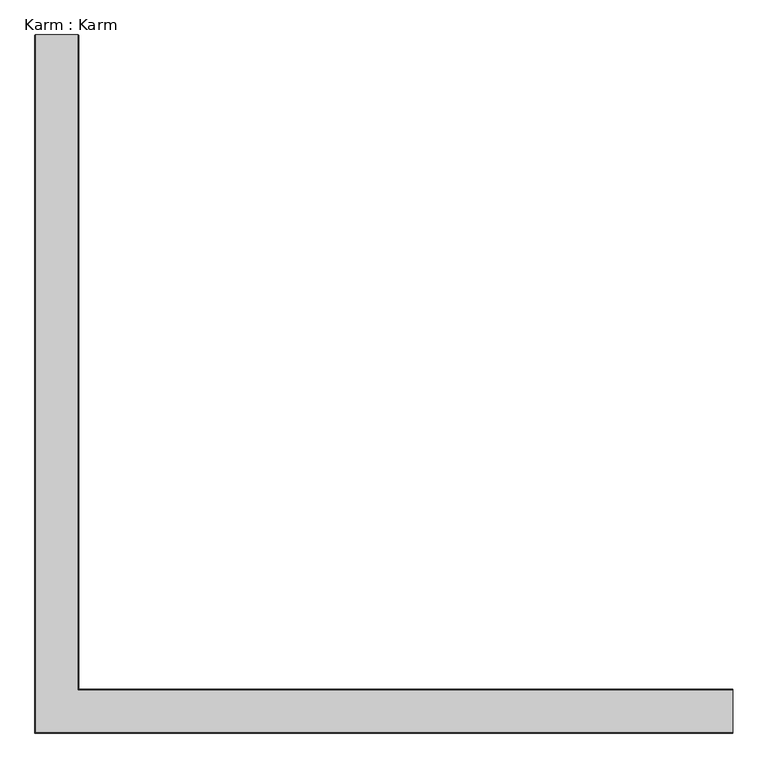
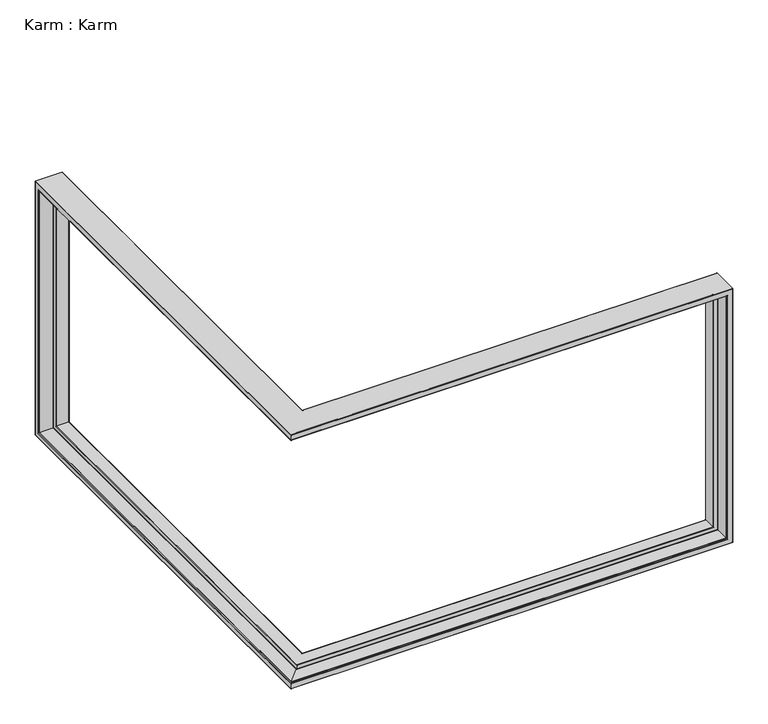
"""IFC4 building model written with IfcOpenShell, lengths in millimetres: proxy geometry, Karm : Karm."""

from ifc_helpers import new_model, si_unit, frame, origin, place, context, project, spatial, polyline, ellipse_curve, source, transform, mapped, element, save
from ifc_brep_helpers import plane_surface, cylinder_surface, revolved_surface, advanced_brep


def karm_karm_82fdf308(model_context):
    return source(origin(), model_context, "Body", "AdvancedBrep", [
        advanced_brep(
        [(1888.0, 64.5, 564.4312876), (64.5, 64.5, 564.4312876), (63.0, 63.0, 562.9312876), (1889.5, 63.0, 562.9312876), (63.0, 63.0, 547.7814143), (1904.6498733, 63.0, 547.7814143), (1904.6498733, 63.0, 1657.0811608), (63.0, 63.0, 1657.0811608), (63.0, 63.0, 1641.9312876), (1889.5, 63.0, 1641.9312876), (61.682804, 61.682804, 546.2925951), (1906.1386925, 61.682804, 546.2925951), (7.546875, 7.546875, 539.6455388), (1912.7857488, 7.546875, 539.6455388), (7.546875, 7.546875, 538.8312876), (1913.6, 7.546875, 538.8312876), (1913.6, 7.546875, 1666.0312876), (7.546875, 7.546875, 1666.0312876), (7.546875, 7.546875, 1665.2170363), (1912.7857488, 7.546875, 1665.2170363), (7.546875, 1914.0847702, 538.8312876), (1.0, 1914.0847702, 538.8312876), (1.0, 1.0, 538.8312876), (1913.6, 1.0, 538.8312876), (0.0, 0.0, 537.8312876), (1914.6, 0.0, 537.8312876), (0.0, 0.0, 515.4312876), (1937.0, 0.0, 515.4312876), (1937.0, 0.0, 1689.4312876), (0.0, 0.0, 1689.4312876), (0.0, 0.0, 1667.0312876), (1914.6, 0.0, 1667.0312876), (1.0, 1.0, 514.4312876), (1938.0, 1.0, 514.4312876), (1.0, 1938.4847702, 514.4312876), (119.0, 1938.4847702, 514.4312876), (119.0, 119.0, 514.4312876), (1938.0, 119.0, 514.4312876), (122.0, 122.0, 517.4312876), (1935.0, 122.0, 517.4312876), (122.0, 122.0, 561.4312876), (1891.0, 122.0, 561.4312876), (1891.0, 122.0, 1643.4312876), (122.0, 122.0, 1643.4312876), (122.0, 122.0, 1687.4312876), (1935.0, 122.0, 1687.4312876), (119.0, 119.0, 564.4312876), (1888.0, 119.0, 564.4312876), (119.0, 1888.4847702, 564.4312876), (64.5, 1888.4847702, 564.4312876), (1888.0, 64.5, 1640.4312876), (1906.1386925, 61.682804, 1658.5699801), (1913.6, 1.0, 1666.0312876), (1938.0, 1.0, 1690.4312876), (1938.0, 119.0, 1690.4312876), (1888.0, 119.0, 1640.4312876), (64.5, 64.5, 1640.4312876), (61.682804, 61.682804, 1658.5699801), (1.0, 1.0, 1666.0312876), (1.0, 1914.0847702, 1666.0312876), (7.546875, 1914.0847702, 1666.0312876), (1.0, 1.0, 1690.4312876), (119.0, 119.0, 1690.4312876), (119.0, 1938.4847702, 1690.4312876), (1.0, 1938.4847702, 1690.4312876), (119.0, 119.0, 1640.4312876), (64.5, 1888.4847702, 1640.4312876), (119.0, 1888.4847702, 1640.4312876), (63.0, 1889.9847702, 562.9312876), (63.0, 1905.1346435, 547.7814143), (63.0, 1889.9847702, 1641.9312876), (63.0, 1905.1346435, 1657.0811608), (61.682804, 1906.6234627, 546.2925951), (7.546875, 1913.270519, 539.6455388), (7.546875, 1913.270519, 1665.2170363), (0.0, 1915.0847702, 537.8312876), (0.0, 1915.0847702, 1667.0312876), (0.0, 1937.4847702, 1689.4312876), (0.0, 1937.4847702, 515.4312876), (122.0, 1935.4847702, 517.4312876), (122.0, 1891.4847702, 561.4312876), (122.0, 1935.4847702, 1687.4312876), (122.0, 1891.4847702, 1643.4312876), (61.682804, 1906.6234627, 1658.5699801)],
        [
            (0, 1),
            (1, 2, ellipse_curve(frame((64.5, 64.5, 562.9312876), z_axis=(0.7071067811865492, -0.7071067811865458, 0.0), x_axis=(-0.7071067811865458, -0.7071067811865492, 0.0)), 2.1213203, 1.5)),
            (2, 3),
            (3, 0, ellipse_curve(frame((1889.5, 64.5, 562.9312876), z_axis=(-0.7071067811865475, 0.0, -0.7071067811865475), x_axis=(-0.7071067811865476, 0.0, 0.7071067811865474)), 2.1213203, 1.5)),
            (2, 4),
            (4, 5),
            (5, 6),
            (6, 7),
            (7, 8),
            (8, 9),
            (9, 3),
            (4, 10, ellipse_curve(frame((61.5, 61.5, 547.7814143), z_axis=(-0.7071067811865492, 0.7071067811865458, 0.0), x_axis=(0.7071067811865458, 0.7071067811865492, 0.0)), 2.1213203, 1.5)),
            (10, 11),
            (11, 5, ellipse_curve(frame((1904.6498733, 61.5, 547.7814143), z_axis=(0.7071067811865475, 0.0, 0.7071067811865475), x_axis=(0.7071067811865476, 0.0, -0.7071067811865474)), 2.1213203, 1.5)),
            (10, 12),
            (12, 13),
            (13, 11),
            (12, 14),
            (14, 15),
            (15, 16),
            (16, 17),
            (17, 18),
            (18, 19),
            (19, 13),
            (14, 20),
            (20, 21),
            (21, 22),
            (22, 23),
            (23, 15),
            (22, 24, ellipse_curve(frame((1.0, 1.0, 537.8312876), z_axis=(0.7071067811865492, -0.7071067811865458, 0.0), x_axis=(-0.7071067811865458, -0.7071067811865492, 0.0)), 1.4142136, 1.0)),
            (24, 25),
            (25, 23, ellipse_curve(frame((1914.6, 1.0, 537.8312876), z_axis=(-0.7071067811865475, 0.0, -0.7071067811865475), x_axis=(-0.7071067811865476, 0.0, 0.7071067811865474)), 1.4142136, 1.0)),
            (24, 26),
            (26, 27),
            (27, 28),
            (28, 29),
            (29, 30),
            (30, 31),
            (31, 25),
            (26, 32, ellipse_curve(frame((1.0, 1.0, 515.4312876), z_axis=(0.7071067811865492, -0.7071067811865458, 0.0), x_axis=(-0.7071067811865458, -0.7071067811865492, 0.0)), 1.4142136, 1.0)),
            (32, 33),
            (33, 27, ellipse_curve(frame((1937.0, 1.0, 515.4312876), z_axis=(-0.7071067811865475, 0.0, -0.7071067811865475), x_axis=(-0.7071067811865476, 0.0, 0.7071067811865474)), 1.4142136, 1.0)),
            (32, 34),
            (34, 35),
            (35, 36),
            (36, 37),
            (37, 33),
            (36, 38, ellipse_curve(frame((119.0, 119.0, 517.4312876), z_axis=(0.7071067811865492, -0.7071067811865458, 0.0), x_axis=(-0.7071067811865458, -0.7071067811865492, 0.0)), 4.2426407, 3.0)),
            (38, 39),
            (39, 37, ellipse_curve(frame((1935.0, 119.0, 517.4312876), z_axis=(-0.7071067811865475, 0.0, -0.7071067811865475), x_axis=(-0.7071067811865476, 0.0, 0.7071067811865474)), 4.2426407, 3.0)),
            (38, 40),
            (40, 41),
            (41, 42),
            (42, 43),
            (43, 44),
            (44, 45),
            (45, 39),
            (40, 46, ellipse_curve(frame((119.0, 119.0, 561.4312876), z_axis=(0.7071067811865492, -0.7071067811865458, 0.0), x_axis=(-0.7071067811865458, -0.7071067811865492, 0.0)), 4.2426407, 3.0)),
            (46, 47),
            (47, 41, ellipse_curve(frame((1891.0, 119.0, 561.4312876), z_axis=(-0.7071067811865475, 0.0, -0.7071067811865475), x_axis=(-0.7071067811865476, 0.0, 0.7071067811865474)), 4.2426407, 3.0)),
            (46, 48),
            (48, 49),
            (49, 1),
            (0, 47),
            (9, 50, ellipse_curve(frame((1889.5, 64.5, 1641.9312876), z_axis=(0.7071067811865475, 0.0, -0.7071067811865475), x_axis=(-0.7071067811865474, 0.0, -0.7071067811865476)), 2.1213203, 1.5)),
            (50, 0),
            (11, 51),
            (51, 6, ellipse_curve(frame((1904.6498733, 61.5, 1657.0811608), z_axis=(-0.7071067811865475, 0.0, 0.7071067811865475), x_axis=(0.7071067811865474, 0.0, 0.7071067811865476)), 2.1213203, 1.5)),
            (19, 51),
            (23, 52),
            (52, 16),
            (31, 52, ellipse_curve(frame((1914.6, 1.0, 1667.0312876), z_axis=(0.7071067811865475, 0.0, -0.7071067811865475), x_axis=(-0.7071067811865474, 0.0, -0.7071067811865476)), 1.4142136, 1.0)),
            (33, 53),
            (53, 28, ellipse_curve(frame((1937.0, 1.0, 1689.4312876), z_axis=(0.7071067811865475, 0.0, -0.7071067811865475), x_axis=(-0.7071067811865474, 0.0, -0.7071067811865476)), 1.4142136, 1.0)),
            (37, 54),
            (54, 53),
            (45, 54, ellipse_curve(frame((1935.0, 119.0, 1687.4312876), z_axis=(0.7071067811865475, 0.0, -0.7071067811865475), x_axis=(-0.7071067811865474, 0.0, -0.7071067811865476)), 4.2426407, 3.0)),
            (47, 55),
            (55, 42, ellipse_curve(frame((1891.0, 119.0, 1643.4312876), z_axis=(0.7071067811865475, 0.0, -0.7071067811865475), x_axis=(-0.7071067811865474, 0.0, -0.7071067811865476)), 4.2426407, 3.0)),
            (50, 55),
            (8, 56, ellipse_curve(frame((64.5, 64.5, 1641.9312876), z_axis=(0.7071067811865492, -0.7071067811865458, 0.0), x_axis=(0.7071067811865458, 0.7071067811865492, 0.0)), 2.1213203, 1.5)),
            (56, 50),
            (51, 57),
            (57, 7, ellipse_curve(frame((61.5, 61.5, 1657.0811608), z_axis=(-0.7071067811865492, 0.7071067811865458, 0.0), x_axis=(-0.7071067811865458, -0.7071067811865492, 0.0)), 2.1213203, 1.5)),
            (18, 57),
            (52, 58),
            (58, 59),
            (59, 60),
            (60, 17),
            (30, 58, ellipse_curve(frame((1.0, 1.0, 1667.0312876), z_axis=(0.7071067811865492, -0.7071067811865458, 0.0), x_axis=(0.7071067811865458, 0.7071067811865492, 0.0)), 1.4142136, 1.0)),
            (53, 61),
            (61, 29, ellipse_curve(frame((1.0, 1.0, 1689.4312876), z_axis=(0.7071067811865492, -0.7071067811865458, 0.0), x_axis=(0.7071067811865458, 0.7071067811865492, 0.0)), 1.4142136, 1.0)),
            (54, 62),
            (62, 63),
            (63, 64),
            (64, 61),
            (44, 62, ellipse_curve(frame((119.0, 119.0, 1687.4312876), z_axis=(0.7071067811865492, -0.7071067811865458, 0.0), x_axis=(0.7071067811865458, 0.7071067811865492, 0.0)), 4.2426407, 3.0)),
            (55, 65),
            (65, 43, ellipse_curve(frame((119.0, 119.0, 1643.4312876), z_axis=(0.7071067811865492, -0.7071067811865458, 0.0), x_axis=(0.7071067811865458, 0.7071067811865492, 0.0)), 4.2426407, 3.0)),
            (56, 66),
            (66, 67),
            (67, 65),
            (68, 2),
            (49, 68, ellipse_curve(frame((64.5, 1889.9847702, 562.9312876), z_axis=(0.0, -0.7071067811865475, -0.7071067811865475), x_axis=(0.0, -0.7071067811865476, 0.7071067811865474)), 2.1213203, 1.5)),
            (69, 4),
            (68, 70),
            (70, 8),
            (7, 71),
            (71, 69),
            (72, 10),
            (69, 72, ellipse_curve(frame((61.5, 1905.1346435, 547.7814143), z_axis=(0.0, 0.7071067811865475, 0.7071067811865475), x_axis=(0.0, 0.7071067811865476, -0.7071067811865474)), 2.1213203, 1.5)),
            (73, 12),
            (72, 73),
            (73, 74),
            (74, 18),
            (60, 20),
            (21, 75, ellipse_curve(frame((1.0, 1915.0847702, 537.8312876), z_axis=(0.0, -0.7071067811865475, -0.7071067811865475), x_axis=(0.0, -0.7071067811865476, 0.7071067811865474)), 1.4142136, 1.0)),
            (75, 24),
            (75, 76),
            (76, 30),
            (29, 77),
            (77, 78),
            (78, 26),
            (78, 34, ellipse_curve(frame((1.0, 1937.4847702, 515.4312876), z_axis=(0.0, -0.7071067811865475, -0.7071067811865475), x_axis=(0.0, -0.7071067811865476, 0.7071067811865474)), 1.4142136, 1.0)),
            (79, 38),
            (35, 79, ellipse_curve(frame((119.0, 1935.4847702, 517.4312876), z_axis=(0.0, -0.7071067811865475, -0.7071067811865475), x_axis=(0.0, -0.7071067811865476, 0.7071067811865474)), 4.2426407, 3.0)),
            (80, 40),
            (79, 81),
            (81, 44),
            (43, 82),
            (82, 80),
            (80, 48, ellipse_curve(frame((119.0, 1891.4847702, 561.4312876), z_axis=(0.0, -0.7071067811865475, -0.7071067811865475), x_axis=(0.0, -0.7071067811865476, 0.7071067811865474)), 4.2426407, 3.0)),
            (49, 66),
            (66, 70, ellipse_curve(frame((64.5, 1889.9847702, 1641.9312876), z_axis=(0.0, 0.7071067811865475, -0.7071067811865475), x_axis=(0.0, -0.7071067811865474, -0.7071067811865476)), 2.1213203, 1.5)),
            (71, 83, ellipse_curve(frame((61.5, 1905.1346435, 1657.0811608), z_axis=(0.0, -0.7071067811865475, 0.7071067811865475), x_axis=(0.0, 0.7071067811865474, 0.7071067811865476)), 2.1213203, 1.5)),
            (83, 72),
            (83, 74),
            (59, 21),
            (59, 76, ellipse_curve(frame((1.0, 1915.0847702, 1667.0312876), z_axis=(0.0, 0.7071067811865475, -0.7071067811865475), x_axis=(0.0, -0.7071067811865474, -0.7071067811865476)), 1.4142136, 1.0)),
            (77, 64, ellipse_curve(frame((1.0, 1937.4847702, 1689.4312876), z_axis=(0.0, 0.7071067811865475, -0.7071067811865475), x_axis=(0.0, -0.7071067811865474, -0.7071067811865476)), 1.4142136, 1.0)),
            (64, 34),
            (63, 35),
            (63, 81, ellipse_curve(frame((119.0, 1935.4847702, 1687.4312876), z_axis=(0.0, 0.7071067811865475, -0.7071067811865475), x_axis=(0.0, -0.7071067811865474, -0.7071067811865476)), 4.2426407, 3.0)),
            (82, 67, ellipse_curve(frame((119.0, 1891.4847702, 1643.4312876), z_axis=(0.0, 0.7071067811865475, -0.7071067811865475), x_axis=(0.0, -0.7071067811865474, -0.7071067811865476)), 4.2426407, 3.0)),
            (67, 48),
            (57, 83),
        ],
        [
            cylinder_surface(frame((0.0, 64.5, 562.9312876), z_axis=(-1.0, 0.0, 0.0), x_axis=(0.0, -1.0, 0.0)), 1.5),
            plane_surface(frame((0.0, 63.0, 562.9312876), z_axis=(0.0, -1.0, 0.0), x_axis=(1.0, 0.0, 0.0))),
            revolved_surface(polyline([(1906.1498732691987, 60.0, 547.7814143), (60.000000030801324, 60.0, 547.7814143)]), (0.0, 61.5, 547.7814143), (1.0, 0.0, 0.0)),
            plane_surface(frame((0.0, 61.682804, 546.2925951), z_axis=(0.0, -0.12186934340506515, 0.9925461516413322), x_axis=(1.0, 0.0, 0.0))),
            plane_surface(frame((0.0, 7.546875, 539.6455388), z_axis=(0.0, -1.0, 0.0), x_axis=(1.0, 0.0, 0.0))),
            plane_surface(frame((0.0, 7.546875, 538.8312876), z_axis=(0.0, 0.0, 1.0), x_axis=(1.0, 0.0, 0.0))),
            cylinder_surface(frame((0.0, 1.0, 537.8312876), z_axis=(-1.0, 0.0, 0.0), x_axis=(0.0, -1.0, 0.0)), 1.0),
            plane_surface(frame((0.0, 0.0, 537.8312876), z_axis=(0.0, -1.0, 0.0), x_axis=(1.0, 0.0, 0.0))),
            cylinder_surface(frame((0.0, 1.0, 515.4312876), z_axis=(-1.0, 0.0, 0.0), x_axis=(0.0, -1.0, 0.0)), 1.0),
            plane_surface(frame((0.0, 1.0, 514.4312876), z_axis=(0.0, 0.0, -1.0), x_axis=(1.0, 0.0, 0.0))),
            cylinder_surface(frame((0.0, 119.0, 517.4312876), z_axis=(-1.0, 0.0, 0.0), x_axis=(0.0, -1.0, 0.0)), 3.0),
            plane_surface(frame((0.0, 122.0, 517.4312876), z_axis=(0.0, 1.0, 0.0), x_axis=(1.0, 0.0, 0.0))),
            cylinder_surface(frame((0.0, 119.0, 561.4312876), z_axis=(-1.0, 0.0, 0.0), x_axis=(0.0, -1.0, 0.0)), 3.0),
            plane_surface(frame((0.0, 119.0, 564.4312876), z_axis=(0.0, 0.0, 1.0), x_axis=(1.0, 0.0, 0.0))),
            cylinder_surface(frame((1889.5, 64.5, 502.4312876), z_axis=(0.0, 0.0, -1.0), x_axis=(0.0, -1.0, 0.0)), 1.5),
            revolved_surface(polyline([(1904.6498733, 60.0, 1658.5811607691985), (1904.6498733, 60.0, 546.2814143308013)]), (1904.6498733, 61.5, 502.4312876), (0.0, 0.0, 1.0)),
            plane_surface(frame((1906.1386925, 61.682804, 546.2925951), z_axis=(-0.9925461516413322, -0.12186934340506515, 0.0), x_axis=(0.0, 0.0, 1.0))),
            plane_surface(frame((1913.6, 7.546875, 538.8312876), z_axis=(-1.0, 0.0, 0.0), x_axis=(0.0, 0.0, 1.0))),
            cylinder_surface(frame((1914.6, 1.0, 502.4312876), z_axis=(0.0, 0.0, -1.0), x_axis=(0.0, -1.0, 0.0)), 1.0),
            cylinder_surface(frame((1937.0, 1.0, 502.4312876), z_axis=(0.0, 0.0, -1.0), x_axis=(0.0, -1.0, 0.0)), 1.0),
            plane_surface(frame((1938.0, 1.0, 514.4312876), z_axis=(1.0, 0.0, 0.0), x_axis=(0.0, 0.0, 1.0))),
            cylinder_surface(frame((1935.0, 119.0, 502.4312876), z_axis=(0.0, 0.0, -1.0), x_axis=(0.0, -1.0, 0.0)), 3.0),
            cylinder_surface(frame((1891.0, 119.0, 502.4312876), z_axis=(0.0, 0.0, -1.0), x_axis=(0.0, -1.0, 0.0)), 3.0),
            plane_surface(frame((1888.0, 119.0, 564.4312876), z_axis=(-1.0, 0.0, 0.0), x_axis=(0.0, 0.0, 1.0))),
            cylinder_surface(frame((1950.0, 64.5, 1641.9312876), z_axis=(1.0, 0.0, 0.0), x_axis=(0.0, -1.0, 0.0)), 1.5),
            revolved_surface(polyline([(60.0000000308014, 60.0, 1657.0811608), (1906.1498732691987, 60.0, 1657.0811608)]), (1950.0, 61.5, 1657.0811608), (-1.0, 0.0, 0.0)),
            plane_surface(frame((1906.1386925, 61.682804, 1658.5699801), z_axis=(0.0, -0.12186934340506515, -0.9925461516413322), x_axis=(-1.0, 0.0, 0.0))),
            plane_surface(frame((1913.6, 7.546875, 1666.0312876), z_axis=(0.0, 0.0, -1.0), x_axis=(-1.0, 0.0, 0.0))),
            cylinder_surface(frame((1950.0, 1.0, 1667.0312876), z_axis=(1.0, 0.0, 0.0), x_axis=(0.0, -1.0, 0.0)), 1.0),
            cylinder_surface(frame((1950.0, 1.0, 1689.4312876), z_axis=(1.0, 0.0, 0.0), x_axis=(0.0, -1.0, 0.0)), 1.0),
            plane_surface(frame((1938.0, 1.0, 1690.4312876), z_axis=(0.0, 0.0, 1.0), x_axis=(-1.0, 0.0, 0.0))),
            cylinder_surface(frame((1950.0, 119.0, 1687.4312876), z_axis=(1.0, 0.0, 0.0), x_axis=(0.0, -1.0, 0.0)), 3.0),
            cylinder_surface(frame((1950.0, 119.0, 1643.4312876), z_axis=(1.0, 0.0, 0.0), x_axis=(0.0, -1.0, 0.0)), 3.0),
            plane_surface(frame((1888.0, 119.0, 1640.4312876), z_axis=(0.0, 0.0, -1.0), x_axis=(-1.0, 0.0, 0.0))),
            cylinder_surface(frame((64.5, 0.0, 562.9312876), z_axis=(0.0, -1.0, 0.0), x_axis=(1.0, 0.0, 0.0)), 1.5),
            plane_surface(frame((63.0, 0.0, 547.7814143), z_axis=(-1.0, 0.0, 0.0), x_axis=(0.0, 1.0, 0.0))),
            revolved_surface(polyline([(63.0, 1906.6346434691986, 547.7814143), (63.0, 60.00000003080132, 547.7814143)]), (61.5, 0.0, 547.7814143), (0.0, 1.0, 0.0)),
            plane_surface(frame((7.546875, 0.0, 539.6455388), z_axis=(-0.12186934340512802, 0.0, 0.9925461516413244), x_axis=(0.0, 1.0, 0.0))),
            plane_surface(frame((7.546875, 0.0, 538.8312876), z_axis=(-1.0, 0.0, 0.0), x_axis=(0.0, 1.0, 0.0))),
            cylinder_surface(frame((1.0, 0.0, 537.8312876), z_axis=(0.0, -1.0, 0.0), x_axis=(1.0, 0.0, 0.0)), 1.0),
            plane_surface(frame((0.0, 0.0, 515.4312876), z_axis=(-1.0, 0.0, 0.0), x_axis=(0.0, 1.0, 0.0))),
            cylinder_surface(frame((1.0, 0.0, 515.4312876), z_axis=(0.0, -1.0, 0.0), x_axis=(1.0, 0.0, 0.0)), 1.0),
            cylinder_surface(frame((119.0, 0.0, 517.4312876), z_axis=(0.0, -1.0, 0.0), x_axis=(1.0, 0.0, 0.0)), 3.0),
            plane_surface(frame((122.0, 0.0, 561.4312876), z_axis=(1.0, 0.0, 0.0), x_axis=(0.0, 1.0, 0.0))),
            cylinder_surface(frame((119.0, 0.0, 561.4312876), z_axis=(0.0, -1.0, 0.0), x_axis=(1.0, 0.0, 0.0)), 3.0),
            cylinder_surface(frame((64.5, 1889.9847702, 502.4312876), z_axis=(0.0, 0.0, -1.0), x_axis=(1.0, 0.0, 0.0)), 1.5),
            revolved_surface(polyline([(63.0, 1905.1346435, 1658.5811607691985), (63.0, 1905.1346435, 546.2814143308013)]), (61.5, 1905.1346435, 502.4312876), (0.0, 0.0, 1.0)),
            plane_surface(frame((7.546875, 1913.270519, 539.6455388), z_axis=(-0.12186934340512319, -0.9925461516413251, 0.0), x_axis=(0.0, 0.0, 1.0))),
            plane_surface(frame((1.0, 1914.0847702, 538.8312876), z_axis=(0.0, -1.0, 0.0), x_axis=(0.0, 0.0, 1.0))),
            cylinder_surface(frame((1.0, 1915.0847702, 502.4312876), z_axis=(0.0, 0.0, -1.0), x_axis=(1.0, 0.0, 0.0)), 1.0),
            cylinder_surface(frame((1.0, 1937.4847702, 502.4312876), z_axis=(0.0, 0.0, -1.0), x_axis=(1.0, 0.0, 0.0)), 1.0),
            plane_surface(frame((119.0, 1938.4847702, 514.4312876), z_axis=(0.0, 1.0, 0.0), x_axis=(0.0, 0.0, 1.0))),
            cylinder_surface(frame((119.0, 1935.4847702, 502.4312876), z_axis=(0.0, 0.0, -1.0), x_axis=(1.0, 0.0, 0.0)), 3.0),
            cylinder_surface(frame((119.0, 1891.4847702, 502.4312876), z_axis=(0.0, 0.0, -1.0), x_axis=(1.0, 0.0, 0.0)), 3.0),
            plane_surface(frame((64.5, 1888.4847702, 564.4312876), z_axis=(0.0, -1.0, 0.0), x_axis=(0.0, 0.0, 1.0))),
            cylinder_surface(frame((64.5, 1950.4847702, 1641.9312876), z_axis=(0.0, 1.0, 0.0), x_axis=(1.0, 0.0, 0.0)), 1.5),
            revolved_surface(polyline([(63.0, 60.0000000308014, 1657.0811608), (63.0, 1906.6346434691986, 1657.0811608)]), (61.5, 1950.4847702, 1657.0811608), (0.0, -1.0, 0.0)),
            plane_surface(frame((7.546875, 1913.270519, 1665.2170363), z_axis=(-0.12186934340512803, 0.0, -0.9925461516413245), x_axis=(0.0, -1.0, 0.0))),
            cylinder_surface(frame((1.0, 1950.4847702, 1667.0312876), z_axis=(0.0, 1.0, 0.0), x_axis=(1.0, 0.0, 0.0)), 1.0),
            cylinder_surface(frame((1.0, 1950.4847702, 1689.4312876), z_axis=(0.0, 1.0, 0.0), x_axis=(1.0, 0.0, 0.0)), 1.0),
            cylinder_surface(frame((119.0, 1950.4847702, 1687.4312876), z_axis=(0.0, 1.0, 0.0), x_axis=(1.0, 0.0, 0.0)), 3.0),
            cylinder_surface(frame((119.0, 1950.4847702, 1643.4312876), z_axis=(0.0, 1.0, 0.0), x_axis=(1.0, 0.0, 0.0)), 3.0),
        ],
        [
            (0, [[1, 2, 3, 4]]),
            (1, [[-3, 5, 6, 7, 8, 9, 10, 11]]),
            (2, [[-6, 12, 13, 14]]),
            (3, [[-13, 15, 16, 17]]),
            (4, [[-16, 18, 19, 20, 21, 22, 23, 24]]),
            (5, [[-19, 25, 26, 27, 28, 29]]),
            (6, [[-28, 30, 31, 32]]),
            (7, [[33, 34, 35, 36, 37, 38, 39, -31]]),
            (8, [[40, 41, 42, -34]]),
            (9, [[-41, 43, 44, 45, 46, 47]]),
            (10, [[-46, 48, 49, 50]]),
            (11, [[-49, 51, 52, 53, 54, 55, 56, 57]]),
            (12, [[-52, 58, 59, 60]]),
            (13, [[-59, 61, 62, 63, -1, 64]]),
            (14, [[-11, 65, 66, -4]]),
            (15, [[-14, 67, 68, -7]]),
            (16, [[-24, 69, -67, -17]]),
            (17, [[-29, 70, 71, -20]]),
            (18, [[-39, 72, -70, -32]]),
            (19, [[-42, 73, 74, -35]]),
            (20, [[75, 76, -73, -47]]),
            (21, [[-57, 77, -75, -50]]),
            (22, [[-60, 78, 79, -53]]),
            (23, [[-66, 80, -78, -64]]),
            (24, [[-10, 81, 82, -65]]),
            (25, [[83, 84, -8, -68]]),
            (26, [[-23, 85, -83, -69]]),
            (27, [[86, 87, 88, 89, -21, -71]]),
            (28, [[90, -86, -72, -38]]),
            (29, [[-74, 91, 92, -36]]),
            (30, [[93, 94, 95, 96, -91, -76]]),
            (31, [[-56, 97, -93, -77]]),
            (32, [[98, 99, -54, -79]]),
            (33, [[-82, 100, 101, 102, -98, -80]]),
            (34, [[103, -2, -63, 104]]),
            (35, [[105, -5, -103, 106, 107, -9, 108, 109]]),
            (36, [[110, -12, -105, 111]]),
            (37, [[112, -15, -110, 113]]),
            (38, [[-25, -18, -112, 114, 115, -22, -89, 116]]),
            (39, [[-30, -27, 117, 118]]),
            (40, [[119, 120, -37, 121, 122, 123, -33, -118]]),
            (41, [[124, -43, -40, -123]]),
            (42, [[125, -48, -45, 126]]),
            (43, [[127, -51, -125, 128, 129, -55, 130, 131]]),
            (44, [[-61, -58, -127, 132]]),
            (45, [[133, 134, -106, -104]]),
            (46, [[135, 136, -111, -109]]),
            (47, [[-136, 137, -114, -113]]),
            (48, [[-88, 138, -26, -116]]),
            (49, [[-138, 139, -119, -117]]),
            (50, [[140, 141, -124, -122]]),
            (51, [[-141, -95, 142, -44]]),
            (52, [[-142, 143, -128, -126]]),
            (53, [[144, 145, -132, -131]]),
            (54, [[-145, -101, -133, -62]]),
            (55, [[-100, -81, -107, -134]]),
            (56, [[-108, -84, 146, -135]]),
            (57, [[-146, -85, -115, -137]]),
            (58, [[-139, -87, -90, -120]]),
            (59, [[-92, -96, -140, -121]]),
            (60, [[-94, -97, -129, -143]]),
            (61, [[-130, -99, -102, -144]]),
        ],
    ),
    ])


if __name__ == "__main__":
    model = new_model("IFC4")
    model_context = context("Model", 3, world=origin())
    ifc_project = project(units=[si_unit("LENGTHUNIT", "METRE", prefix="MILLI")], contexts=[model_context])
    site = spatial("IfcSite", under=ifc_project)
    building = spatial("IfcBuilding", under=site)
    placement = place(None, origin())
    karm_karm_shape = karm_karm_82fdf308(model_context)
    element("IfcBuildingElementProxy", 1, Name="Karm : Karm", ObjectType="Karm : Karm", at=placement, inside=building, context=model_context, shape_type="MappedRepresentation", body=[
        mapped(karm_karm_shape, transform((0.0, 0.0, 0.0), x_axis=(1.0, 0.0, 0.0), y_axis=(0.0, 1.0, 0.0), z_axis=(0.0, 0.0, 1.0))),
    ])
    save(model, "model.ifc")
